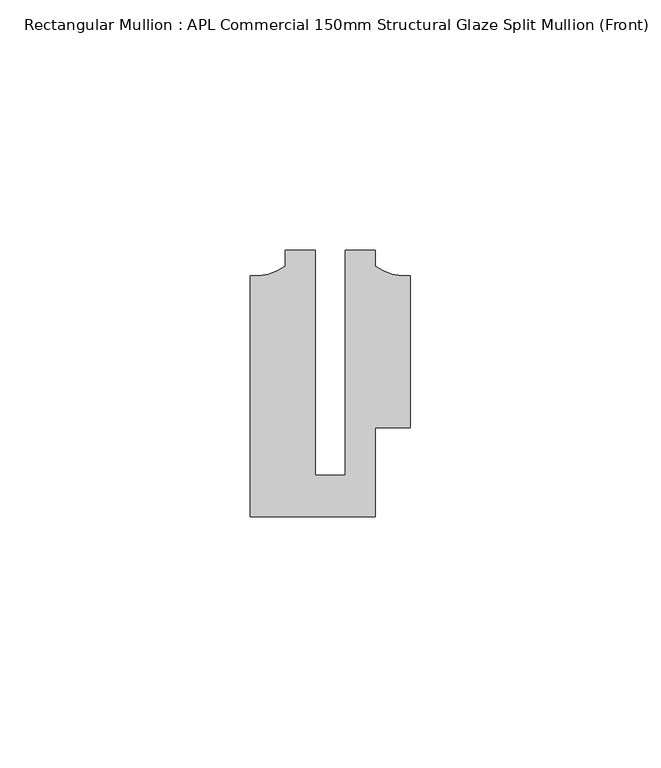
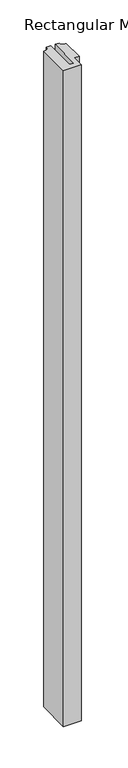
"""IFC4 building model written with IfcOpenShell, lengths in millimetres: member geometry, Rectangular Mullion : APL Commercial 150mm Structural Glaze Split Mullion (Front)."""

from ifc_helpers import new_model, si_unit, point, frame, frame_2d, origin, place, context, project, spatial, polyline, circle_curve, trimmed, segment, composite_curve, outline, extrude, source, transform, mapped, element, save


def rectangular_mullion_apl_commercial_150mm_structural_glaze_0974b7fd(model_context):
    return source(origin(), model_context, "Body", "SweptSolid", [
        extrude(outline(composite_curve([segment(polyline([(15.9999391, -14.9953356), (9.0, -14.9953356), (9.0, -32.7960123), (-15.9999391, -32.7960123), (-15.9999391, 15.3837352)]), True, "CONTINUOUS"), segment(trimmed(circle_curve(frame_2d((-15.1098019, 25.802169)), 10.4563907), [point((-15.9999391, 15.3837352))], [point((-8.9999842, 17.3165203))], True, "CARTESIAN"), True, "CONTINUOUS"), segment(polyline([(-8.9999842, 17.3165203), (-8.9999842, 20.5039877), (-2.9999659, 20.5039877), (-2.9999659, -24.5130805), (2.9999676, -24.5130805), (2.9999676, 20.5039877), (8.9999842, 20.5039877), (8.9999842, 17.3165203)]), True, "CONTINUOUS"), segment(trimmed(circle_curve(frame_2d((15.1098019, 25.802169)), 10.4563907), [point((8.9999842, 17.3165203))], [point((15.9999391, 15.3837352))], True, "CARTESIAN"), True, "CONTINUOUS"), segment(polyline([(15.9999391, 15.3837352), (15.9999391, -14.9953356)]), True, "CONTINUOUS")], self_intersect=False)), frame((0.0, 0.0, -966.6621796), z_axis=(0.0, 0.0, 1.0), x_axis=(1.0, 0.0, 0.0)), (0.0, 0.0, 1.0), 966.6621796),
    ])


if __name__ == "__main__":
    model = new_model("IFC4")
    model_context = context("Model", 3, world=origin())
    ifc_project = project(units=[si_unit("LENGTHUNIT", "METRE", prefix="MILLI")], contexts=[model_context])
    site = spatial("IfcSite", under=ifc_project)
    building = spatial("IfcBuilding", under=site)
    placement = place(None, origin())
    rectangular_mullion_apl_commercial_150mm_structural_glaze_shape = rectangular_mullion_apl_commercial_150mm_structural_glaze_0974b7fd(model_context)
    element("IfcMember", 1, ObjectType="Rectangular Mullion : APL Commercial 150mm Structural Glaze Split Mullion (Front)", at=placement, inside=building, context=model_context, shape_type="MappedRepresentation", body=[
        mapped(rectangular_mullion_apl_commercial_150mm_structural_glaze_shape, transform((0.0, 0.0, 0.0), x_axis=(1.0, 0.0, 0.0), y_axis=(0.0, 1.0, 0.0), z_axis=(0.0, 0.0, 1.0))),
    ])
    save(model, "model.ifc")
